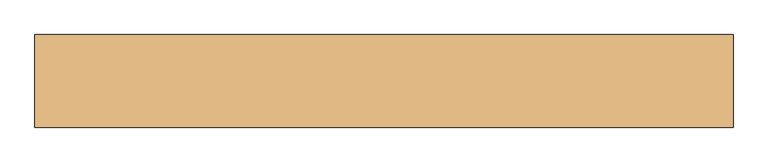
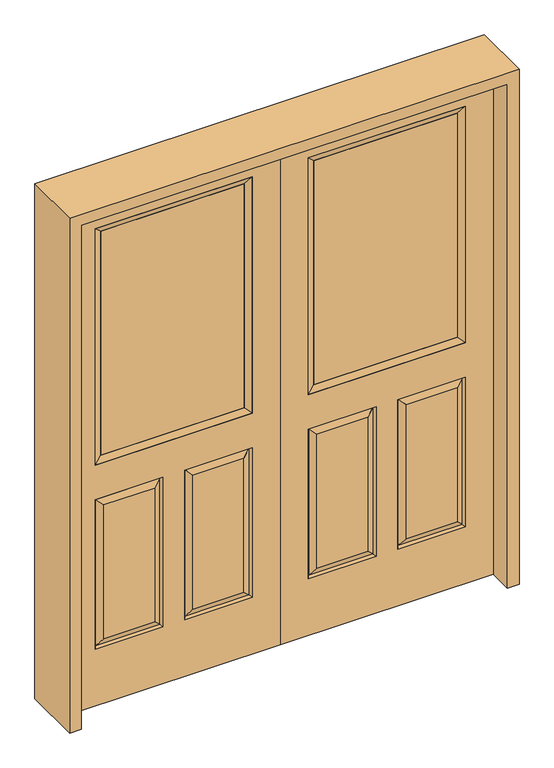
"""IFC4 building model written with IfcOpenShell, lengths in millimetres: door geometry."""

import ifcopenshell
import ifcopenshell.guid

model = None  # the IFC model being written
_history = None  # IfcOwnerHistory: only IFC2X3 demands one
_inside = {}  # id of a spatial element -> (the spatial element, [elements in it])
_under = {}  # id of a project, library or spatial element -> (it, [spatial elements below it])
_declared = {}  # id of a project -> (the project, [libraries it declares])
_typed = {}  # id of a type object -> (the type object, [elements of that type])
_made_of = {}  # id of a material, layer set ... -> (it, [elements and type objects made of it])


def new_model(schema):
    """Start an empty IFC model of exactly this schema.

    Asked for "IFC4X3", IfcOpenShell would pick the latest addendum, in which some entities
    have other attributes; the version numbers below select the first issue.
    IFC2X3 requires an IfcOwnerHistory on every rooted entity: one is made here for all.
    """
    global model, _history
    if schema == "IFC4X3":
        model = ifcopenshell.file(schema_version=(4, 3, 0, 0))
    else:
        model = ifcopenshell.file(schema=schema)
    _inside.clear()
    _under.clear()
    _declared.clear()
    _typed.clear()
    _made_of.clear()
    _history = None
    if model.schema == "IFC2X3":
        org = make("IfcOrganization", Name="unknown")
        user = make(
            "IfcPersonAndOrganization",
            ThePerson=make("IfcPerson", FamilyName="unknown"),
            TheOrganization=org,
        )
        app = make(
            "IfcApplication",
            ApplicationDeveloper=org,
            Version="unknown",
            ApplicationFullName="unknown",
            ApplicationIdentifier="unknown",
        )
        _history = make(
            "IfcOwnerHistory",
            OwningUser=user,
            OwningApplication=app,
            ChangeAction="ADDED",
            CreationDate=0,
        )
    return model


def make(cls, **values):
    """One entity of the class cls with the attributes given. An attribute that is None is left unset."""
    return model.create_entity(
        cls, **{name: value for name, value in values.items() if value is not None}
    )


def rooted(cls, **values):
    """An entity with a GlobalId (a new one), such as an element, a storey or a relation."""
    return make(cls, GlobalId=ifcopenshell.guid.new(), OwnerHistory=_history, **values)


def si_unit(unit_type, name, prefix=None):
    """IfcSIUnit, for example si_unit("LENGTHUNIT", "METRE", prefix="MILLI")."""
    return make("IfcSIUnit", UnitType=unit_type, Prefix=prefix, Name=name)


def assignment(units):
    """IfcUnitAssignment: the units of a project."""
    return None if units is None else make("IfcUnitAssignment", Units=units)


def point(xyz):
    """IfcCartesianPoint."""
    return None if xyz is None else make("IfcCartesianPoint", Coordinates=xyz)


def direction(xyz):
    """IfcDirection."""
    return None if xyz is None else make("IfcDirection", DirectionRatios=xyz)


def frame(location, z_axis=None, x_axis=None):
    """IfcAxis2Placement3D, a coordinate frame: its origin and axes. An axis left out is left unset."""
    return make(
        "IfcAxis2Placement3D",
        Location=point(location),
        Axis=direction(z_axis),
        RefDirection=direction(x_axis),
    )


def origin():
    """The frame at (0, 0, 0) with its axes left unset."""
    return frame((0.0, 0.0, 0.0))


def place(relative_to, where):
    """IfcLocalPlacement: puts the frame where relative to a parent placement (None: the world)."""
    return make(
        "IfcLocalPlacement", PlacementRelTo=relative_to, RelativePlacement=where
    )


def context(
    kind, dimensions, precision=None, world=None, true_north=None, identifier=None
):
    """IfcGeometricRepresentationContext, for example the 3D "Model" context."""
    return make(
        "IfcGeometricRepresentationContext",
        ContextIdentifier=identifier,
        ContextType=kind,
        CoordinateSpaceDimension=dimensions,
        Precision=precision,
        WorldCoordinateSystem=world,
        TrueNorth=true_north,
    )


def project(units=None, contexts=None):
    """IfcProject with its units and contexts."""
    return rooted(
        "IfcProject",
        Name="project",
        RepresentationContexts=contexts,
        UnitsInContext=assignment(units),
    )


def spatial(cls, under=None, at=None, **own):
    """A site, building, storey or space (cls), placed at a placement, below another one or the project."""
    s = rooted(cls, ObjectPlacement=at, **own)
    if under is not None:
        _under.setdefault(under.id(), (under, []))[1].append(s)
    return s


def polyline(points):
    """IfcPolyline through the points."""
    return make("IfcPolyline", Points=[point(p) for p in points])


def outline(outer, holes=None, kind="AREA"):
    """IfcArbitraryClosedProfileDef: a profile drawn as a closed curve; with holes, ...WithVoids."""
    if holes is None:
        return make("IfcArbitraryClosedProfileDef", ProfileType=kind, OuterCurve=outer)
    return make(
        "IfcArbitraryProfileDefWithVoids",
        ProfileType=kind,
        OuterCurve=outer,
        InnerCurves=holes,
    )


def extrude(swept, where, along, depth):
    """IfcExtrudedAreaSolid: the profile swept, set in the frame where, extruded along a direction by depth."""
    return make(
        "IfcExtrudedAreaSolid",
        SweptArea=swept,
        Position=where,
        ExtrudedDirection=direction(along),
        Depth=depth,
    )


def faces_of(points, faces, orient=None, outer=None):
    """IfcFace entities. A face is a list of loops; a loop is a list of indices into points, from 0.

    orient and outer hold one flag for each loop. By default every Orientation is true, the
    first loop of a face is its IfcFaceOuterBound and the others are IfcFaceBound.
    """
    made = []
    for i, loops in enumerate(faces):
        bounds = []
        for j, loop in enumerate(loops):
            is_outer = j == 0 if outer is None else outer[i][j]
            bounds.append(
                make(
                    "IfcFaceOuterBound" if is_outer else "IfcFaceBound",
                    Bound=make("IfcPolyLoop", Polygon=[points[k] for k in loop]),
                    Orientation=True if orient is None else orient[i][j],
                )
            )
        made.append(make("IfcFace", Bounds=bounds))
    return made


def faceted_brep(points, faces, orient=None, outer=None, voids=None):
    """IfcFacetedBrep: a solid bounded by flat faces; with voids (closed shells), ...WithVoids."""
    shared = [point(p) for p in points]
    hull = make("IfcClosedShell", CfsFaces=faces_of(shared, faces, orient, outer))
    if voids is None:
        return make("IfcFacetedBrep", Outer=hull)
    return make(
        "IfcFacetedBrepWithVoids",
        Outer=hull,
        Voids=[
            make(cls, CfsFaces=faces_of(shared, fs, o, b)) for cls, fs, o, b in voids
        ],
    )


def shape(context_of_items, identifier, shape_type, items):
    """IfcShapeRepresentation: the items that make up one representation, for example the "Body"."""
    return make(
        "IfcShapeRepresentation",
        ContextOfItems=context_of_items,
        RepresentationIdentifier=identifier,
        RepresentationType=shape_type,
        Items=items,
    )


def source(mapping_origin, context_of_items, identifier, shape_type, items):
    """IfcRepresentationMap: a shape defined once, which mapped items show again and again."""
    return make(
        "IfcRepresentationMap",
        MappingOrigin=mapping_origin,
        MappedRepresentation=shape(context_of_items, identifier, shape_type, items),
    )


def transform(
    local_origin,
    x_axis=None,
    y_axis=None,
    z_axis=None,
    scale=None,
    scale2=None,
    scale3=None,
    uniform=True,
):
    """IfcCartesianTransformationOperator3D, or its non-uniform kind. x_axis, y_axis, z_axis: its Axis1, 2, 3."""
    if uniform:
        return make(
            "IfcCartesianTransformationOperator3D",
            Axis1=direction(x_axis),
            Axis2=direction(y_axis),
            LocalOrigin=point(local_origin),
            Scale=scale,
            Axis3=direction(z_axis),
        )
    return make(
        "IfcCartesianTransformationOperator3DnonUniform",
        Axis1=direction(x_axis),
        Axis2=direction(y_axis),
        LocalOrigin=point(local_origin),
        Scale=scale,
        Axis3=direction(z_axis),
        Scale2=scale2,
        Scale3=scale3,
    )


def mapped(mapping_source, mapping_target):
    """IfcMappedItem: shows the shape of a source again, moved by a transform."""
    return make(
        "IfcMappedItem", MappingSource=mapping_source, MappingTarget=mapping_target
    )


def made_of(thing, what):
    """Note that an element or type object is made of a material, layer set ...; save() writes the relation."""
    if what is not None:
        _made_of.setdefault(what.id(), (what, []))[1].append(thing)
    return thing


def element(
    cls,
    number,
    at=None,
    inside=None,
    cuts=None,
    type_object=None,
    material=None,
    context=None,
    identifier="Body",
    shape_type=None,
    held_by="IfcProductDefinitionShape",
    body=None,
    shapes=None,
    **own,
):
    """One element of the class cls, such as IfcWall. Its Tag is "e" and its number.

    at: its placement. inside: the storey or other place that contains it. cuts: it is an
    opening in that element (IfcRelVoidsElement). A single representation is given by context,
    identifier, shape_type and body (its items); several are given by shapes. held_by: the class
    of the entity that holds the representations. save() writes the other relations.
    """
    e = rooted(cls, Tag="e%d" % number, ObjectPlacement=at, **own)
    if body is not None:
        shapes = [shape(context, identifier, shape_type, body)]
    if shapes is not None:
        e.Representation = make(held_by, Representations=shapes)
    if inside is not None:
        _inside.setdefault(inside.id(), (inside, []))[1].append(e)
    if cuts is not None:
        rooted(
            "IfcRelVoidsElement", RelatingBuildingElement=cuts, RelatedOpeningElement=e
        )
    if type_object is not None:
        _typed.setdefault(type_object.id(), (type_object, []))[1].append(e)
    return made_of(e, material)


def aggregate(whole, parts):
    """IfcRelAggregates: a whole, such as a stair, and the parts it consists of."""
    return rooted("IfcRelAggregates", RelatingObject=whole, RelatedObjects=parts)


def save(model, path):
    """Write the relations noted so far, then the file.

    IfcRelAggregates (storeys below a building ...), IfcRelContainedInSpatialStructure (elements
    in a storey), IfcRelDefinesByType, IfcRelAssociatesMaterial and IfcRelDeclares: one each for
    every whole, place, type object, material and project.
    """
    for whole, parts in _under.values():
        aggregate(whole, parts)
    for where, things in _inside.values():
        rooted(
            "IfcRelContainedInSpatialStructure",
            RelatedElements=things,
            RelatingStructure=where,
        )
    for kind, things in _typed.values():
        rooted("IfcRelDefinesByType", RelatedObjects=things, RelatingType=kind)
    for what, things in _made_of.values():
        rooted("IfcRelAssociatesMaterial", RelatedObjects=things, RelatingMaterial=what)
    for by, libraries in _declared.values():
        rooted("IfcRelDeclares", RelatingContext=by, RelatedDefinitions=libraries)
    model.write(path)


def door_ff5c79f1(model_context):
    return source(origin(), model_context, "Body", "SolidModel", [
        faceted_brep([(0.0, -22.225, 0.0), (0.0, -22.225, 2032.0), (-812.8, -22.225, 2032.0), (-812.8, -22.225, 0.0), (-107.061, -22.225, 971.55), (-705.739, -22.225, 971.55), (-705.739, -22.225, 1925.574), (-107.061, -22.225, 1925.574), (-107.061, -22.225, 831.85), (-107.061, -22.225, 228.6), (-365.125, -22.225, 228.6), (-365.125, -22.225, 831.85), (-447.675, -22.225, 831.85), (-447.675, -22.225, 228.6), (-705.739, -22.225, 228.6), (-705.739, -22.225, 831.85), (-333.375, -22.225, 800.1), (-333.375, -22.225, 260.35), (-138.811, -22.225, 260.35), (-138.811, -22.225, 800.1), (-673.989, -22.225, 800.1), (-673.989, -22.225, 260.35), (-479.425, -22.225, 260.35), (-479.425, -22.225, 800.1), (-812.8, 22.225, 0.0), (0.0, 22.225, 0.0), (-812.8, 22.225, 2032.0), (0.0, 22.225, 2032.0), (-107.061, 22.225, 1925.574), (-107.061, 22.225, 971.55), (-705.739, 22.225, 971.55), (-705.739, 22.225, 1925.574), (-365.125, 22.225, 831.85), (-365.125, 22.225, 228.6), (-107.061, 22.225, 228.6), (-107.061, 22.225, 831.85), (-705.739, 22.225, 831.85), (-705.739, 22.225, 228.6), (-447.675, 22.225, 228.6), (-447.675, 22.225, 831.85), (-138.811, 22.225, 800.1), (-138.811, 22.225, 260.35), (-333.375, 22.225, 260.35), (-333.375, 22.225, 800.1), (-479.425, 22.225, 800.1), (-479.425, 22.225, 260.35), (-673.989, 22.225, 260.35), (-673.989, 22.225, 800.1), (-114.20475, -12.7449236, 824.70625), (-357.98125, -12.7449236, 824.70625), (-114.20475, -12.7449236, 235.74375), (-357.98125, -12.7449236, 235.74375), (-698.59525, -12.7449236, 824.70625), (-454.81875, -12.7449236, 824.70625), (-454.81875, -12.7449236, 235.74375), (-698.59525, -12.7449236, 235.74375), (-114.20475, 12.7449236, 824.70625), (-357.98125, 12.7449236, 824.70625), (-357.98125, 12.7449236, 235.74375), (-114.20475, 12.7449236, 235.74375), (-698.59525, 12.7449236, 824.70625), (-454.81875, 12.7449236, 824.70625), (-698.59525, 12.7449236, 235.74375), (-454.81875, 12.7449236, 235.74375)], [[[0, 1, 2, 3], [4, 5, 6, 7], [8, 9, 10, 11], [12, 13, 14, 15]], [[16, 17, 18, 19]], [[20, 21, 22, 23]], [[3, 24, 25, 0]], [[2, 26, 24, 3]], [[0, 25, 27, 1]], [[7, 28, 29, 4]], [[5, 30, 31, 6]], [[4, 29, 30, 5]], [[25, 24, 26, 27], [29, 28, 31, 30], [32, 33, 34, 35], [36, 37, 38, 39]], [[40, 41, 42, 43]], [[44, 45, 46, 47]], [[1, 27, 26, 2]], [[6, 31, 28, 7]], [[16, 19, 48, 49]], [[19, 18, 50, 48]], [[51, 50, 18, 17]], [[49, 51, 17, 16]], [[48, 8, 11, 49]], [[11, 10, 51, 49]], [[10, 9, 50, 51]], [[48, 50, 9, 8]], [[52, 20, 23, 53]], [[23, 22, 54, 53]], [[22, 21, 55, 54]], [[52, 55, 21, 20]], [[53, 12, 15, 52]], [[15, 14, 55, 52]], [[54, 55, 14, 13]], [[53, 54, 13, 12]], [[56, 40, 43, 57]], [[43, 42, 58, 57]], [[42, 41, 59, 58]], [[56, 59, 41, 40]], [[57, 32, 35, 56]], [[35, 34, 59, 56]], [[58, 59, 34, 33]], [[57, 58, 33, 32]], [[44, 47, 60, 61]], [[47, 46, 62, 60]], [[63, 62, 46, 45]], [[61, 63, 45, 44]], [[60, 36, 39, 61]], [[39, 38, 63, 61]], [[38, 37, 62, 63]], [[60, 62, 37, 36]]]),
        extrude(outline(polyline([(-680.339, -12.7), (-680.339, 12.7), (-132.461, 12.7), (-132.461, -12.7), (-680.339, -12.7)])), frame((0.0, 0.0, 996.95), z_axis=(0.0, 0.0, 1.0), x_axis=(1.0, 0.0, 0.0)), (0.0, 0.0, 1.0), 903.224),
        faceted_brep([(-107.061, -22.225, 1925.574), (-107.061, -22.225, 971.55), (-107.061, 22.225, 971.55), (-107.061, 22.225, 1925.574), (-705.739, -22.225, 971.55), (-705.739, 22.225, 971.55), (-680.339, 12.7, 996.95), (-132.461, 12.7, 996.95), (-705.739, -22.225, 1925.574), (-705.739, 22.225, 1925.574), (-132.461, -12.7, 996.95), (-680.339, -12.7, 996.95), (-132.461, -12.7, 1900.174), (-680.339, -12.7, 1900.174), (-132.461, 12.7, 1900.174), (-680.339, 12.7, 1900.174)], [[[0, 1, 2, 3]], [[1, 4, 5, 2]], [[2, 5, 6, 7]], [[4, 8, 9, 5]], [[10, 11, 4, 1]], [[12, 10, 1, 0]], [[11, 13, 8, 4]], [[7, 6, 11, 10]], [[14, 7, 10, 12]], [[6, 15, 13, 11]], [[3, 2, 7, 14]], [[5, 9, 15, 6]], [[8, 0, 3, 9]], [[13, 12, 0, 8]], [[15, 14, 12, 13]], [[9, 3, 14, 15]]]),
        faceted_brep([(0.0, -22.225, 0.0), (812.8, -22.225, 0.0), (812.8, -22.225, 2032.0), (0.0, -22.225, 2032.0), (107.061, -22.225, 971.55), (107.061, -22.225, 1925.574), (705.739, -22.225, 1925.574), (705.739, -22.225, 971.55), (107.061, -22.225, 831.85), (365.125, -22.225, 831.85), (365.125, -22.225, 228.6), (107.061, -22.225, 228.6), (447.675, -22.225, 831.85), (705.739, -22.225, 831.85), (705.739, -22.225, 228.6), (447.675, -22.225, 228.6), (333.375, -22.225, 800.1), (138.811, -22.225, 800.1), (138.811, -22.225, 260.35), (333.375, -22.225, 260.35), (673.989, -22.225, 800.1), (479.425, -22.225, 800.1), (479.425, -22.225, 260.35), (673.989, -22.225, 260.35), (0.0, 22.225, 0.0), (812.8, 22.225, 0.0), (812.8, 22.225, 2032.0), (0.0, 22.225, 2032.0), (107.061, 22.225, 971.55), (107.061, 22.225, 1925.574), (705.739, 22.225, 1925.574), (705.739, 22.225, 971.55), (365.125, 22.225, 831.85), (107.061, 22.225, 831.85), (107.061, 22.225, 228.6), (365.125, 22.225, 228.6), (705.739, 22.225, 831.85), (447.675, 22.225, 831.85), (447.675, 22.225, 228.6), (705.739, 22.225, 228.6), (138.811, 22.225, 800.1), (333.375, 22.225, 800.1), (333.375, 22.225, 260.35), (138.811, 22.225, 260.35), (479.425, 22.225, 800.1), (673.989, 22.225, 800.1), (673.989, 22.225, 260.35), (479.425, 22.225, 260.35), (357.98125, -12.7449236, 824.70625), (114.20475, -12.7449236, 824.70625), (114.20475, -12.7449236, 235.74375), (357.98125, -12.7449236, 235.74375), (698.59525, -12.7449236, 824.70625), (454.81875, -12.7449236, 824.70625), (454.81875, -12.7449236, 235.74375), (698.59525, -12.7449236, 235.74375), (114.20475, 12.7449236, 824.70625), (357.98125, 12.7449236, 824.70625), (357.98125, 12.7449236, 235.74375), (114.20475, 12.7449236, 235.74375), (454.81875, 12.7449236, 824.70625), (698.59525, 12.7449236, 824.70625), (698.59525, 12.7449236, 235.74375), (454.81875, 12.7449236, 235.74375)], [[[0, 1, 2, 3], [4, 5, 6, 7], [8, 9, 10, 11], [12, 13, 14, 15]], [[16, 17, 18, 19]], [[20, 21, 22, 23]], [[1, 0, 24, 25]], [[2, 1, 25, 26]], [[0, 3, 27, 24]], [[5, 4, 28, 29]], [[7, 6, 30, 31]], [[4, 7, 31, 28]], [[24, 27, 26, 25], [28, 31, 30, 29], [32, 33, 34, 35], [36, 37, 38, 39]], [[40, 41, 42, 43]], [[44, 45, 46, 47]], [[3, 2, 26, 27]], [[6, 5, 29, 30]], [[16, 48, 49, 17]], [[17, 49, 50, 18]], [[51, 19, 18, 50]], [[48, 16, 19, 51]], [[49, 48, 9, 8]], [[9, 48, 51, 10]], [[10, 51, 50, 11]], [[49, 8, 11, 50]], [[52, 53, 21, 20]], [[21, 53, 54, 22]], [[22, 54, 55, 23]], [[52, 20, 23, 55]], [[53, 52, 13, 12]], [[13, 52, 55, 14]], [[54, 15, 14, 55]], [[53, 12, 15, 54]], [[56, 57, 41, 40]], [[41, 57, 58, 42]], [[42, 58, 59, 43]], [[56, 40, 43, 59]], [[57, 56, 33, 32]], [[33, 56, 59, 34]], [[58, 35, 34, 59]], [[57, 32, 35, 58]], [[44, 60, 61, 45]], [[45, 61, 62, 46]], [[63, 47, 46, 62]], [[60, 44, 47, 63]], [[61, 60, 37, 36]], [[37, 60, 63, 38]], [[38, 63, 62, 39]], [[61, 36, 39, 62]]]),
        extrude(outline(polyline([(680.339, -12.7), (132.461, -12.7), (132.461, 12.7), (680.339, 12.7), (680.339, -12.7)])), frame((0.0, 0.0, 996.95), z_axis=(0.0, 0.0, 1.0), x_axis=(1.0, 0.0, 0.0)), (0.0, 0.0, 1.0), 903.224),
        faceted_brep([(107.061, -22.225, 1925.574), (107.061, 22.225, 1925.574), (107.061, 22.225, 971.55), (107.061, -22.225, 971.55), (705.739, 22.225, 971.55), (705.739, -22.225, 971.55), (132.461, 12.7, 996.95), (680.339, 12.7, 996.95), (705.739, 22.225, 1925.574), (705.739, -22.225, 1925.574), (132.461, -12.7, 996.95), (680.339, -12.7, 996.95), (132.461, -12.7, 1900.174), (680.339, -12.7, 1900.174), (132.461, 12.7, 1900.174), (680.339, 12.7, 1900.174)], [[[0, 1, 2, 3]], [[3, 2, 4, 5]], [[2, 6, 7, 4]], [[5, 4, 8, 9]], [[10, 3, 5, 11]], [[12, 0, 3, 10]], [[11, 5, 9, 13]], [[6, 10, 11, 7]], [[14, 12, 10, 6]], [[7, 11, 13, 15]], [[1, 14, 6, 2]], [[4, 7, 15, 8]], [[9, 8, 1, 0]], [[13, 9, 0, 12]], [[15, 13, 12, 14]], [[8, 15, 14, 1]]]),
        extrude(outline(polyline([(0.0, -857.25), (0.0, -812.8), (2032.0, -812.8), (2032.0, 812.8), (0.0, 812.8), (0.0, 857.25), (2076.45, 857.25), (2076.45, -857.25), (0.0, -857.25)])), frame((0.0, -114.3, 0.0), z_axis=(0.0, 1.0, 0.0), x_axis=(0.0, 0.0, 1.0)), (0.0, 0.0, 1.0), 228.6),
    ])


if __name__ == "__main__":
    model = new_model("IFC4")
    model_context = context("Model", 3, world=origin())
    ifc_project = project(units=[si_unit("LENGTHUNIT", "METRE", prefix="MILLI")], contexts=[model_context])
    site = spatial("IfcSite", under=ifc_project)
    building = spatial("IfcBuilding", under=site)
    placement = place(None, origin())
    door_shape = door_ff5c79f1(model_context)
    element("IfcDoor", 1, at=placement, inside=building, context=model_context, shape_type="MappedRepresentation", body=[
        mapped(door_shape, transform((0.0, 0.0, 0.0), x_axis=(1.0, 0.0, 0.0), y_axis=(0.0, 1.0, 0.0), z_axis=(0.0, 0.0, 1.0))),
    ])
    save(model, "model.ifc")
